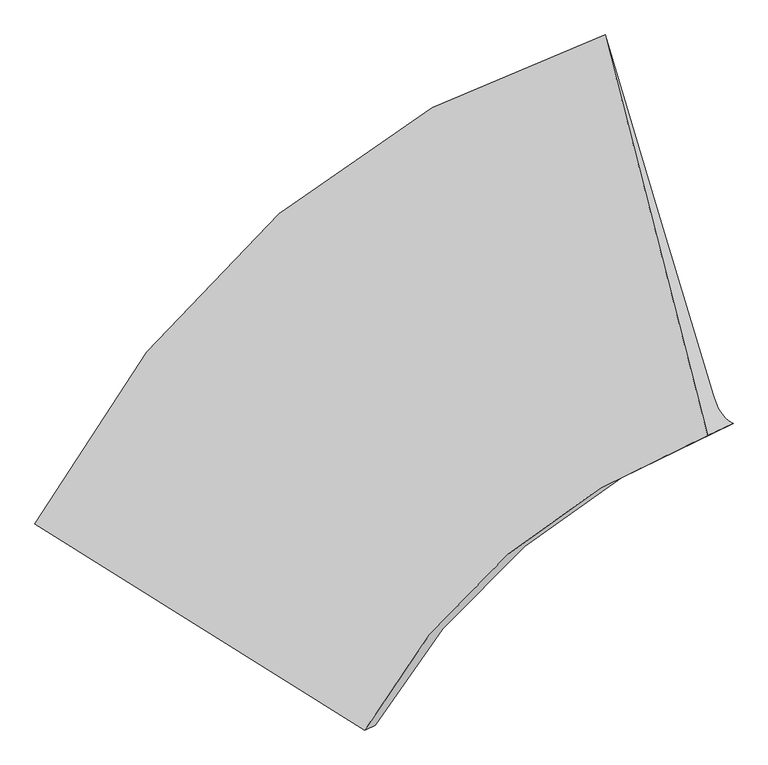
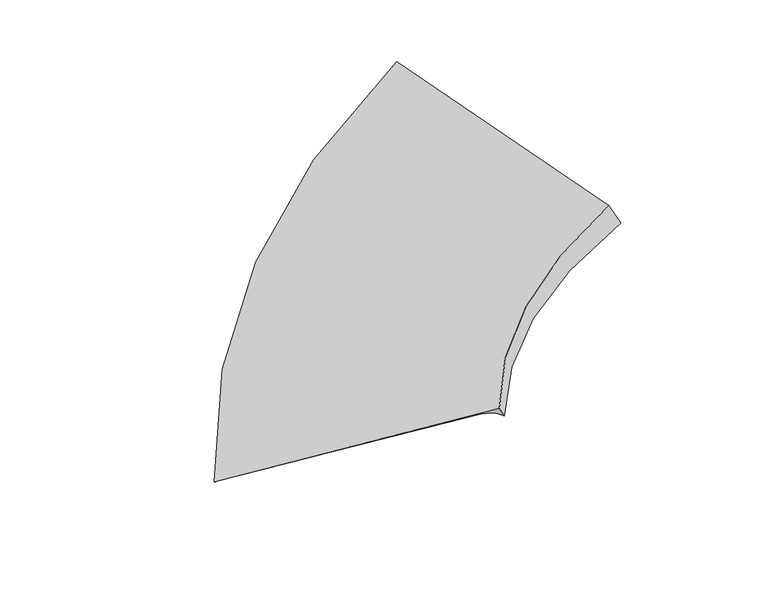
"""IFC4 building model written with IfcOpenShell, lengths in millimetres: proxy geometry."""

from ifc_helpers import new_model, si_unit, frame, origin, place, context, project, spatial, source, transform, mapped, element, save
from ifc_brep_helpers import plane_surface, spline_curve, spline_surface, advanced_brep


def generic_models_7a67a3d4(model_context):
    return source(origin(), model_context, "Body", "AdvancedBrep", [
        advanced_brep(
        [(-2659.1677113, -6396.9619619, 883.4802586), (-3880.1798489, -5637.6300458, 406.1440996), (317.3524202, -2036.1086314, 1905.0244457), (720.7235545, -3382.4606637, 1700.852714), (-1603.393531, -7053.5344943, 1296.2191467), (1112.6681606, -4690.6738005, 1502.4646734), (-1375.2394279, -7121.1865274, 1237.3092651), (1259.7912509, -4900.2771785, 1333.9116265), (-1452.4958367, -7157.1033863, 1374.6175595), (1072.3366901, -4987.4256638, 1667.0757799)],
        [
            (0, 1),
            (1, 2, spline_curve(3, [(-3880.1798489, -5637.6300458, 406.1440996), (-3379.697755274, -4714.150261004, 610.243103496), (-2780.135622177, -3952.429257846, 837.043681593), (-1381.376842719, -2751.238638941, 1336.574542228), (-581.761553077, -2312.452503652, 1609.400746296), (317.3524202, -2036.1086314, 1905.0244457)], [4, 2, 4], [0.0, 8.635786702227355, 17.289798606813147])),
            (2, 3),
            (3, 0, spline_curve(3, [(720.7235545, -3382.4606637, 1700.852714), (-45.782914227, -3628.294170816, 1514.894865705), (-710.883870712, -4002.819676607, 1353.755904949), (-1837.087625639, -5008.19491826, 1081.402846014), (-2298.617091282, -5638.503178501, 970.084321826), (-2659.1677113, -6396.9619619, 883.4802586)], [4, 2, 4], [0.0, 8.654011904585792, 17.289798606813147])),
            (4, 0),
            (3, 5),
            (5, 4, spline_curve(3, [(1112.6681606, -4690.6738005, 1502.4646734), (506.83680388, -4934.713377562, 1433.224534923), (-22.575463711, -5253.92493714, 1381.417578643), (-927.607825334, -6041.861457006, 1312.742420343), (-1303.549454739, -6510.270128483, 1295.80086798), (-1603.393531, -7053.5344943, 1296.2191467)], [4, 2, 4], [0.0, 6.893861178918338, 13.773204003066423])),
            (6, 4, spline_curve(3, [(-1375.2394279, -7121.1865274, 1237.3092651), (-1387.166255851, -7121.602573766, 1248.274522402), (-1399.217817183, -7121.322871383, 1257.957698732), (-1423.570406417, -7119.371969017, 1274.759889268), (-1435.871434321, -7117.700769038, 1281.878903465), (-1460.722956879, -7112.966871562, 1293.552769935), (-1473.273451554, -7109.904174087, 1298.107622204), (-1498.623907446, -7102.387281513, 1304.653164596), (-1511.423868688, -7097.933086436, 1306.643854737), (-1537.273257912, -7087.633198764, 1308.061073063), (-1550.322685821, -7081.787506191, 1307.48760127), (-1576.671008379, -7068.704623409, 1303.77649553), (-1589.96990306, -7061.46743324, 1300.638861603), (-1603.393531, -7053.5344943, 1296.2191467)], [4, 2, 2, 2, 2, 2, 4], [0.0, 0.15599272288269017, 0.31198544576538034, 0.46797816864807057, 0.6239708915307607, 0.7799636144134509, 0.935956337296141])),
            (5, 7, spline_curve(3, [(1112.6681606, -4690.6738005, 1502.4646734), (1118.450454794, -4708.879198564, 1499.17203547), (1124.63128413, -4725.991135618, 1494.867494176), (1137.79001307, -4758.028087782, 1484.234604824), (1144.767912655, -4772.9531029, 1477.906256817), (1159.520782145, -4800.6162111, 1463.225753983), (1167.295751979, -4813.354304187, 1454.873599163), (1183.642762021, -4836.643568413, 1436.145482837), (1192.214802203, -4847.194739569, 1425.769521309), (1210.155952797, -4866.110159831, 1402.993791491), (1219.525063228, -4874.474408957, 1390.594023149), (1239.060354372, -4889.015985243, 1363.770679851), (1249.226535052, -4895.193312339, 1349.347104895), (1259.7912509, -4900.2771785, 1333.9116265)], [4, 2, 2, 2, 2, 2, 4], [0.0, 0.15599272288269017, 0.31198544576538034, 0.46797816864807046, 0.6239708915307607, 0.7799636144134509, 0.935956337296141])),
            (7, 6, spline_curve(3, [(1259.7912509, -4900.2771785, 1333.9116265), (675.700245421, -5133.283211673, 1292.742931637), (163.913522787, -5435.129584073, 1264.113105), (-714.125814219, -6175.722348395, 1231.965075486), (-1080.682651328, -6614.179091982, 1228.394114925), (-1375.2394279, -7121.1865274, 1237.3092651)], [4, 2, 4], [0.0, 5.8677754947263105, 11.723193553737909])),
            (8, 6),
            (7, 9),
            (9, 8, spline_curve(3, [(1072.3366901, -4987.4256638, 1667.0757799), (513.096306449, -5208.878528865, 1581.739920556), (22.924346841, -5500.676098783, 1514.694041748), (-818.395887933, -6224.197983924, 1417.284923948), (-1169.834770415, -6655.626321304, 1386.844729434), (-1452.4958367, -7157.1033863, 1374.6175595)], [4, 2, 4], [0.0, 5.673240961952207, 11.334534174617753])),
            (1, 8),
            (9, 2),
        ],
        [
            spline_surface(3, 3, [[(-2659.1677113, -6396.9619619, 883.4802586), (-2298.61709123, -5638.503178467, 970.084321692), (-1837.087625735, -5008.194918235, 1081.402846037), (-710.883870616, -4002.819676631, 1353.755904926), (-45.782914208, -3628.294170741, 1514.894865729), (720.7235545, -3382.4606637, 1700.852714)], [(-3066.171757162, -6143.851323216, 724.368205592), (-2658.977312585, -5330.385539287, 850.137248928), (-2151.43695788, -4656.273031467, 999.949791189), (-934.381528049, -3585.625997405, 1348.028784075), (-224.442460486, -3189.680281739, 1546.396825934), (586.266509733, -2933.676652923, 1768.909957911)], [(-3473.175803038, -5890.740684484, 565.256152608), (-3019.337533954, -5022.267900059, 730.190176187), (-2465.786289931, -4304.35114465, 918.49673632), (-1157.879185387, -3168.432318131, 1342.301663202), (-403.102006762, -2751.066392768, 1577.898786105), (451.809464967, -2484.892642177, 1836.967201789)], [(-3880.1798489, -5637.6300458, 406.1440996), (-3379.69775531, -4714.15026088, 610.243103423), (-2780.135622076, -3952.429257882, 837.043681471), (-1381.37684282, -2751.238638905, 1336.57454235), (-581.761553041, -2312.452503767, 1609.400746311), (317.3524202, -2036.1086314, 1905.0244457)]], [4, 4], [4, 2, 4], [0.0, 4.638522480157401], [0.0, 8.635786702227355, 17.289798606813147]),
            spline_surface(3, 3, [[(-1603.393531, -7053.5344943, 1296.2191467), (-1303.54945482, -6510.27012851, 1295.800867878), (-927.607825268, -6041.861456925, 1312.742420371), (-22.575463777, -5253.924937221, 1381.417578615), (506.836803928, -4934.71337753, 1433.224535029), (1112.6681606, -4690.6738005, 1502.4646734)], [(-1955.318257785, -6834.676983494, 1158.639517327), (-1635.238666976, -6219.681145156, 1187.228685809), (-1230.76775873, -5697.305944012, 1235.62922891), (-252.011599363, -4836.889850341, 1372.197020703), (322.630231242, -4499.240308616, 1460.447978585), (982.019958592, -4254.602754916, 1568.594020256)], [(-2307.242984515, -6615.819472706, 1021.059887973), (-1966.927879075, -5929.092161821, 1078.656503761), (-1533.927692273, -5352.750431149, 1158.516037498), (-481.44773503, -4419.854763511, 1362.976462839), (138.423658479, -4063.767239654, 1487.671422173), (851.371756508, -3818.531709284, 1634.723367144)], [(-2659.1677113, -6396.9619619, 883.4802586), (-2298.61709123, -5638.503178467, 970.084321692), (-1837.087625735, -5008.194918235, 1081.402846037), (-710.883870616, -4002.819676631, 1353.755904926), (-45.782914208, -3628.294170741, 1514.894865729), (720.7235545, -3382.4606637, 1700.852714)]], [4, 4], [4, 2, 4], [0.0, 4.5933433087504065], [0.0, 6.879342824148085, 13.773204003066423]),
            spline_surface(3, 3, [[(-1375.2394279, -7121.1865274, 1237.3092651), (-1080.682651253, -6614.179092046, 1228.394115021), (-714.125814272, -6175.722348315, 1231.965075528), (163.913522839, -5435.129584154, 1264.113104958), (675.700245424, -5133.283211591, 1292.742931638), (1259.7912509, -4900.2771785, 1333.9116265)], [(-1387.166255851, -7121.602573767, 1248.274522401), (-1092.895437616, -6612.936487945, 1239.378468986), (-726.368460389, -6173.192184478, 1243.330721384), (152.123831994, -5430.764548169, 1276.967294126), (664.3944517, -5128.372431165, 1306.705902614), (1249.226535053, -4895.193312338, 1349.347104896)], [(-1399.217817184, -7121.322871384, 1257.957698733), (-1105.13634115, -6610.93886452, 1249.156233939), (-738.547350814, -6169.844261946, 1253.550031374), (140.572339706, -5425.449197404, 1288.765271031), (653.409406574, -5122.441504629, 1319.642467274), (1239.060354372, -4889.015985246, 1363.770679848)], [(-1423.570406416, -7119.371969016, 1274.759889267), (-1129.674382356, -6605.43357892, 1266.298585626), (-762.777620118, -6161.512899371, 1271.695979361), (117.945752409, -5412.917866203, 1310.248800056), (632.080813403, -5108.539359094, 1343.462784257), (1219.525063228, -4874.474408954, 1390.594023152)], [(-1435.871434319, -7117.700769036, 1281.878903468), (-1141.971520034, -6601.925916749, 1273.663172361), (-774.828999029, -6156.529459404, 1279.622617363), (106.870657366, -5405.701885841, 1319.934352182), (621.737265388, -5100.568140169, 1354.346536567), (1210.155952796, -4866.11015983, 1402.993791492)], [(-1460.722956881, -7112.966871564, 1293.552769932), (-1166.622029721, -6593.400553749, 1285.979167806), (-798.804245402, -6144.927061926, 1293.183221625), (85.196864462, -5389.369295408, 1337.193031897), (601.691666493, -5082.585409951, 1374.061228582), (1192.214802204, -4847.19473957, 1425.769521308)], [(-1473.273451554, -7109.904174087, 1298.107622202), (-1178.975401743, -6588.382852933, 1290.930576522), (-810.728112899, -6138.308104425, 1298.817187839), (74.598166565, -5380.252685348, 1344.766159442), (591.98961559, -5072.573898637, 1382.892168342), (1183.642762021, -4836.643568414, 1436.145482837)], [(-1498.623907446, -7102.387281513, 1304.653164598), (-1203.73837991, -6576.837412532, 1298.420215725), (-834.448336342, -6123.434672045, 1307.792448376), (53.877168053, -5360.118835685, 1357.799989846), (573.227010971, -5050.510583736, 1398.501235389), (1167.295751979, -4813.354304186, 1454.873599163)], [(-1511.423868688, -7097.933086439, 1306.643854736), (-1216.147986077, -6570.309672971, 1300.958446222), (-846.244692325, -6115.18019711, 1311.133742702), (43.754867401, -5349.101596027, 1363.260692711), (564.16645728, -5038.458780132, 1405.279362698), (1159.520782145, -4800.616211098, 1463.225753981)], [(-1537.273257912, -7087.633198761, 1308.061073064), (-1241.023432724, -6555.74415517, 1303.621729182), (-869.709892837, -6097.035729826, 1315.523659514), (23.986663282, -5325.166487133, 1372.069673806), (546.686846938, -5012.314880548, 1416.782804778), (1144.767912655, -4772.953102902, 1477.906256819)], [(-1550.322685823, -7081.78750619, 1307.487601271), (-1253.489273135, -6547.706376963, 1303.746781662), (-881.378737305, -6087.145737458, 1316.572282053), (14.340759876, -5312.248617877, 1375.41795209), (538.267790358, -4998.222784554, 1421.508119536), (1137.79001307, -4758.028087782, 1484.234604826)], [(-1576.671008377, -7068.70462341, 1303.776495529), (-1278.477188262, -6530.120781763, 1301.583708379), (-904.588914888, -6065.730235272, 1316.376855139), (-4.47464985, -5284.512249752, 1380.002083874), (522.071174291, -4967.998300288, 1428.905936649), (1124.63128413, -4725.991135618, 1494.867494174)], [(-1589.969903058, -7061.467433242, 1300.638861605), (-1290.999263017, -6520.572964811, 1299.29558264), (-916.130247942, -6054.204725469, 1315.13280569), (-13.64415611, -5269.693750899, 1381.237937378), (514.293614823, -4951.865912005, 1431.578438956), (1118.450454794, -4708.879198566, 1499.17203547)], [(-1603.393531, -7053.5344943, 1296.2191467), (-1303.54945482, -6510.27012851, 1295.800867878), (-927.607825268, -6041.861456925, 1312.742420371), (-22.575463777, -5253.924937221, 1381.417578615), (506.836803928, -4934.71337753, 1433.224535029), (1112.6681606, -4690.6738005, 1502.4646734)]], [4, 2, 2, 2, 2, 2, 4], [4, 2, 4], [0.0, 0.15599272288269017, 0.31198544576538034, 0.46797816864807057, 0.6239708915307607, 0.7799636144134509, 0.935956337296141], [0.0, 5.8554180590115985, 11.723193553737909]),
            spline_surface(3, 3, [[(-1452.4958367, -7157.1033863, 1374.6175595), (-1169.83477049, -6655.626321297, 1386.844729347), (-818.395887911, -6224.197983865, 1417.284923952), (22.924346818, -5500.676098843, 1514.694041743), (513.096306521, -5208.878528774, 1581.739920639), (1072.3366901, -4987.4256638, 1667.0757799)], [(-1426.743700444, -7145.131100022, 1328.848128042), (-1140.117397422, -6641.810578235, 1334.027857913), (-783.63919671, -6208.039438687, 1355.511641152), (69.920738813, -5478.827260618, 1431.167062822), (567.297619503, -5183.680089732, 1485.407590971), (1134.821543714, -4958.376168719, 1556.021062099)], [(-1400.991564156, -7133.158813678, 1283.078696558), (-1110.400024321, -6627.994835107, 1281.210986454), (-748.882505472, -6191.880893493, 1293.738358328), (116.917130845, -5456.978422379, 1347.640083879), (621.498932443, -5158.481650633, 1389.075261306), (1197.306397286, -4929.326673581, 1444.966344301)], [(-1375.2394279, -7121.1865274, 1237.3092651), (-1080.682651253, -6614.179092046, 1228.394115021), (-714.125814272, -6175.722348315, 1231.965075528), (163.913522839, -5435.129584154, 1264.113104958), (675.700245424, -5133.283211591, 1292.742931638), (1259.7912509, -4900.2771785, 1333.9116265)]], [4, 4], [4, 2, 4], [0.0, 0.8417909569005766], [0.0, 5.661293212665546, 11.334534174617753]),
            spline_surface(3, 3, [[(-3880.1798489, -5637.6300458, 406.1440996), (-3379.69775531, -4714.15026088, 610.243103423), (-2780.135622076, -3952.429257882, 837.043681471), (-1381.37684282, -2751.238638905, 1336.57454235), (-581.761553041, -2312.452503767, 1609.400746311), (317.3524202, -2036.1086314, 1905.0244457)], [(-3070.95184483, -6144.121159291, 728.968586251), (-2643.076760367, -5361.308947676, 869.110312082), (-2126.22237734, -4709.685499884, 1030.457428971), (-913.27644626, -3667.717792226, 1395.94770882), (-216.808933201, -3277.927845426, 1600.180471075), (569.013843486, -3019.880975523, 1825.708223755)], [(-2261.72384077, -6650.612272809, 1051.793072849), (-1906.455765433, -6008.4676345, 1127.977520687), (-1472.309132647, -5466.941741863, 1223.871176453), (-445.176049742, -4584.196945522, 1455.320875273), (148.143686682, -4243.403187115, 1590.960195875), (820.675266814, -4003.653319677, 1746.392001845)], [(-1452.4958367, -7157.1033863, 1374.6175595), (-1169.83477049, -6655.626321297, 1386.844729347), (-818.395887911, -6224.197983865, 1417.284923952), (22.924346818, -5500.676098843, 1514.694041743), (513.096306521, -5208.878528774, 1581.739920639), (1072.3366901, -4987.4256638, 1667.0757799)]], [4, 4], [4, 2, 4], [0.0, 9.994286668368071], [0.0, 7.541316849337553, 15.098549101679772]),
            plane_surface(frame((940.5371305, -4153.6213186, 1602.1191314), z_axis=(0.8384064697000847, 0.17279782033995406, 0.5169289166324537), x_axis=(0.2470794985674233, -0.9658610935155362, -0.07787213507181867))),
            plane_surface(frame((-2077.8271611, -6742.3636135, 1078.5725177), z_axis=(-0.35585699964331985, -0.8354662261164876, -0.4187624396045192), x_axis=(0.8059344888216442, -0.5012004064262351, 0.3150678535267793))),
        ],
        [
            (0, [[1, 2, 3, 4]]),
            (1, [[5, -4, 6, 7]]),
            (2, [[8, -7, 9, 10]]),
            (3, [[11, -10, 12, 13]]),
            (4, [[14, -13, 15, -2]]),
            (5, [[-15, -12, -9, -6, -3]]),
            (6, [[-1, -5, -8, -11, -14]]),
        ],
    ),
    ])


if __name__ == "__main__":
    model = new_model("IFC4")
    model_context = context("Model", 3, world=origin())
    ifc_project = project(units=[si_unit("LENGTHUNIT", "METRE", prefix="MILLI")], contexts=[model_context])
    site = spatial("IfcSite", under=ifc_project)
    building = spatial("IfcBuilding", under=site)
    placement = place(None, origin())
    generic_models_shape = generic_models_7a67a3d4(model_context)
    element("IfcBuildingElementProxy", 1, Name="Generic Models", at=placement, inside=building, context=model_context, shape_type="MappedRepresentation", body=[
        mapped(generic_models_shape, transform((0.0, 0.0, 0.0), x_axis=(1.0, 0.0, 0.0), y_axis=(0.0, 1.0, 0.0), z_axis=(0.0, 0.0, 1.0))),
    ])
    save(model, "model.ifc")
